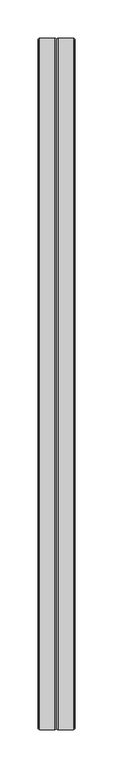
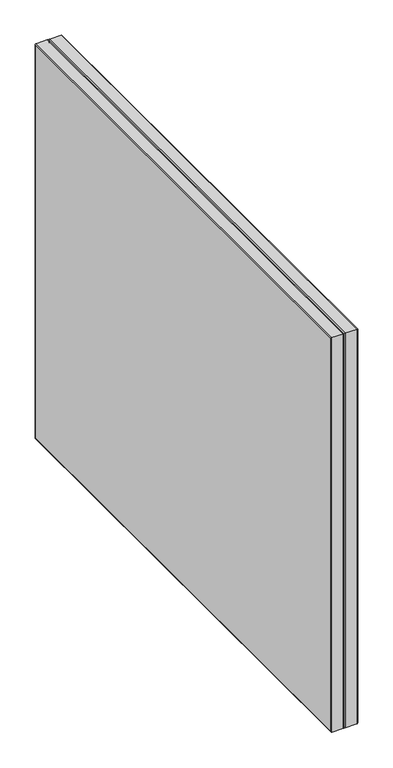
"""IFC4 building model written with IfcOpenShell, lengths in millimetres: furniture geometry."""

from ifc_helpers import new_model, si_unit, frame, origin, place, context, project, spatial, polyline, ellipse_curve, outline, extrude, source, transform, mapped, element, save
from ifc_brep_helpers import plane_surface, cylinder_surface, advanced_brep


def furniture_402b998c(model_context):
    return source(origin(), model_context, "Body", "SolidModel", [
        extrude(outline(polyline([(-23.9989598, -899.7010426), (-23.9989598, -2.0010201), (0.0, -2.0010201), (0.0, -899.7010426), (-23.9989598, -899.7010426)])), frame((0.0, 0.0, 2.00024), z_axis=(0.0, 0.0, 1.0), x_axis=(1.0, 0.0, 0.0)), (0.0, 0.0, 1.0), 729.4257541),
        advanced_brep(
        [(-23.9989825, -899.7000458, 731.4259941), (0.0, -899.7000458, 731.4259941), (0.0, -899.7000458, 2.00024), (-23.9989825, -899.7000458, 2.00024), (-2.0000233, -901.700069, 733.4260174), (-2.0000233, -901.700069, 0.0002167), (-21.9989593, -901.700069, 733.4260174), (-21.9989593, -901.700069, 0.0002167), (0.0, -2.0000233, 2.00024), (-23.9989825, -2.0000233, 2.00024), (-2.0000233, 0.0, 0.0002167), (-21.9989593, 0.0, 0.0002167), (0.0, -2.0000233, 731.4259941), (-23.9989825, -2.0000233, 731.4259941), (-2.0000233, 0.0, 733.4260174), (-21.9989593, 0.0, 733.4260174)],
        [
            (0, 1),
            (1, 2),
            (2, 3),
            (3, 0),
            (1, 4, ellipse_curve(frame((-2.0000233, -899.7000458, 731.4259941), z_axis=(0.0, -0.7071067811865475, -0.7071067811865475), x_axis=(0.0, -0.7071067811865474, 0.7071067811865476)), 2.82846, 2.0000233)),
            (4, 5),
            (5, 2, ellipse_curve(frame((-2.0000233, -899.7000458, 2.00024), z_axis=(0.0, -0.7071067811865475, 0.7071067811865475), x_axis=(0.0, 0.7071067811865474, 0.7071067811865476)), 2.82846, 2.0000233)),
            (4, 6),
            (6, 7),
            (7, 5),
            (6, 0, ellipse_curve(frame((-21.9989593, -899.7000458, 731.4259941), z_axis=(0.0, -0.7071067811865475, -0.7071067811865475), x_axis=(0.0, -0.7071067811865474, 0.7071067811865476)), 2.82846, 2.0000233)),
            (3, 7, ellipse_curve(frame((-21.9989593, -899.7000458, 2.00024), z_axis=(0.0, -0.7071067811865475, 0.7071067811865475), x_axis=(0.0, 0.7071067811865474, 0.7071067811865476)), 2.82846, 2.0000233)),
            (2, 8),
            (8, 9),
            (9, 3),
            (5, 10),
            (10, 8, ellipse_curve(frame((-2.0000233, -2.0000233, 2.00024), z_axis=(0.0, -0.7071067811865475, -0.7071067811865475), x_axis=(0.0, -0.7071067811865476, 0.7071067811865474)), 2.82846, 2.0000233)),
            (7, 11),
            (11, 10),
            (9, 11, ellipse_curve(frame((-21.9989593, -2.0000233, 2.00024), z_axis=(0.0, -0.7071067811865475, -0.7071067811865475), x_axis=(0.0, -0.7071067811865476, 0.7071067811865474)), 2.82846, 2.0000233)),
            (8, 12),
            (12, 13),
            (13, 9),
            (10, 14),
            (14, 12, ellipse_curve(frame((-2.0000233, -2.0000233, 731.4259941), z_axis=(0.0, 0.7071067811865475, -0.7071067811865475), x_axis=(0.0, -0.7071067811865474, -0.7071067811865476)), 2.82846, 2.0000233)),
            (11, 15),
            (15, 14),
            (13, 15, ellipse_curve(frame((-21.9989593, -2.0000233, 731.4259941), z_axis=(0.0, 0.7071067811865475, -0.7071067811865475), x_axis=(0.0, -0.7071067811865474, -0.7071067811865476)), 2.82846, 2.0000233)),
            (12, 1),
            (0, 13),
            (14, 4),
            (15, 6),
        ],
        [
            plane_surface(frame((0.0, -899.7000458, 731.4259941), z_axis=(0.0, 1.0, 0.0), x_axis=(0.0, 0.0, -1.0))),
            cylinder_surface(frame((-2.0000233, -899.7000458, 731.4259941), z_axis=(0.0, 0.0, 1.0), x_axis=(0.0, 1.0, 0.0)), 2.0000233),
            plane_surface(frame((-21.9989593, -901.700069, 733.4260174), z_axis=(0.0, -1.0, 0.0), x_axis=(0.0, 0.0, -1.0))),
            cylinder_surface(frame((-21.9989593, -899.7000458, 731.4259941), z_axis=(0.0, 0.0, 1.0), x_axis=(0.0, 1.0, 0.0)), 2.0000233),
            plane_surface(frame((0.0, -899.7000458, 2.00024), z_axis=(0.0, 0.0, 1.0), x_axis=(0.0, 1.0, 0.0))),
            cylinder_surface(frame((-2.0000233, -899.7000458, 2.00024), z_axis=(0.0, -1.0, 0.0), x_axis=(0.0, 0.0, 1.0)), 2.0000233),
            plane_surface(frame((-21.9989593, -901.700069, 0.0002167), z_axis=(0.0, 0.0, -1.0), x_axis=(0.0, 1.0, 0.0))),
            cylinder_surface(frame((-21.9989593, -899.7000458, 2.00024), z_axis=(0.0, -1.0, 0.0), x_axis=(0.0, 0.0, 1.0)), 2.0000233),
            plane_surface(frame((0.0, -2.0000233, 2.00024), z_axis=(0.0, -1.0, 0.0), x_axis=(0.0, 0.0, 1.0))),
            cylinder_surface(frame((-2.0000233, -2.0000233, 2.00024), z_axis=(0.0, 0.0, -1.0), x_axis=(0.0, -1.0, 0.0)), 2.0000233),
            plane_surface(frame((-21.9989593, 0.0, 0.0002167), z_axis=(0.0, 1.0, 0.0), x_axis=(0.0, 0.0, 1.0))),
            cylinder_surface(frame((-21.9989593, -2.0000233, 2.00024), z_axis=(0.0, 0.0, -1.0), x_axis=(0.0, -1.0, 0.0)), 2.0000233),
            plane_surface(frame((0.0, -2.0000233, 731.4259941), z_axis=(0.0, 0.0, -1.0), x_axis=(0.0, -1.0, 0.0))),
            cylinder_surface(frame((-2.0000233, -2.0000233, 731.4259941), z_axis=(0.0, 1.0, 0.0), x_axis=(0.0, 0.0, -1.0)), 2.0000233),
            plane_surface(frame((-21.9989593, 0.0, 733.4260174), z_axis=(0.0, 0.0, 1.0), x_axis=(0.0, -1.0, 0.0))),
            cylinder_surface(frame((-21.9989593, -2.0000233, 731.4259941), z_axis=(0.0, 1.0, 0.0), x_axis=(0.0, 0.0, -1.0)), 2.0000233),
        ],
        [
            (0, [[1, 2, 3, 4]]),
            (1, [[5, 6, 7, -2]]),
            (2, [[8, 9, 10, -6]]),
            (3, [[11, -4, 12, -9]]),
            (4, [[-3, 13, 14, 15]]),
            (5, [[-7, 16, 17, -13]]),
            (6, [[-10, 18, 19, -16]]),
            (7, [[-12, -15, 20, -18]]),
            (8, [[-14, 21, 22, 23]]),
            (9, [[-17, 24, 25, -21]]),
            (10, [[-19, 26, 27, -24]]),
            (11, [[-20, -23, 28, -26]]),
            (12, [[-22, 29, -1, 30]]),
            (13, [[-25, 31, -5, -29]]),
            (14, [[-27, 32, -8, -31]]),
            (15, [[-28, -30, -11, -32]]),
        ],
    ),
        extrude(outline(polyline([(23.9989598, -2.0010201), (23.9989598, -899.7010426), (0.0, -899.7010426), (0.0, -2.0010201), (23.9989598, -2.0010201)])), frame((0.0, 0.0, 2.00024), z_axis=(0.0, 0.0, 1.0), x_axis=(1.0, 0.0, 0.0)), (0.0, 0.0, 1.0), 729.4257541),
        advanced_brep(
        [(0.0, -899.7010426, 731.4259941), (23.9989825, -899.7010426, 731.4259941), (23.9989825, -899.7010426, 2.00024), (0.0, -899.7010426, 2.00024), (2.0000233, -901.7010658, 733.4260174), (2.0000233, -901.7010658, 0.0002167), (21.9989593, -901.7010658, 733.4260174), (21.9989593, -901.7010658, 0.0002167), (23.9989825, -2.0010201, 2.00024), (0.0, -2.0010201, 2.00024), (2.0000233, -0.0009968, 0.0002167), (21.9989593, -0.0009968, 0.0002167), (23.9989825, -2.0010201, 731.4259941), (0.0, -2.0010201, 731.4259941), (2.0000233, -0.0009968, 733.4260174), (21.9989593, -0.0009968, 733.4260174)],
        [
            (0, 1),
            (1, 2),
            (2, 3),
            (3, 0),
            (4, 0, ellipse_curve(frame((2.0000233, -899.7010426, 731.4259941), z_axis=(0.0, -0.7071067811865475, -0.7071067811865475), x_axis=(0.0, -0.7071067811865474, 0.7071067811865476)), 2.82846, 2.0000233)),
            (3, 5, ellipse_curve(frame((2.0000233, -899.7010426, 2.00024), z_axis=(0.0, -0.7071067811865475, 0.7071067811865475), x_axis=(0.0, 0.7071067811865474, 0.7071067811865476)), 2.82846, 2.0000233)),
            (5, 4),
            (6, 4),
            (5, 7),
            (7, 6),
            (1, 6, ellipse_curve(frame((21.9989593, -899.7010426, 731.4259941), z_axis=(0.0, -0.7071067811865475, -0.7071067811865475), x_axis=(0.0, -0.7071067811865474, 0.7071067811865476)), 2.82846, 2.0000233)),
            (7, 2, ellipse_curve(frame((21.9989593, -899.7010426, 2.00024), z_axis=(0.0, -0.7071067811865475, 0.7071067811865475), x_axis=(0.0, 0.7071067811865474, 0.7071067811865476)), 2.82846, 2.0000233)),
            (2, 8),
            (8, 9),
            (9, 3),
            (9, 10, ellipse_curve(frame((2.0000233, -2.0010201, 2.00024), z_axis=(0.0, -0.7071067811865475, -0.7071067811865475), x_axis=(0.0, -0.7071067811865476, 0.7071067811865474)), 2.82846, 2.0000233)),
            (10, 5),
            (10, 11),
            (11, 7),
            (11, 8, ellipse_curve(frame((21.9989593, -2.0010201, 2.00024), z_axis=(0.0, -0.7071067811865475, -0.7071067811865475), x_axis=(0.0, -0.7071067811865476, 0.7071067811865474)), 2.82846, 2.0000233)),
            (8, 12),
            (12, 13),
            (13, 9),
            (13, 14, ellipse_curve(frame((2.0000233, -2.0010201, 731.4259941), z_axis=(0.0, 0.7071067811865475, -0.7071067811865475), x_axis=(0.0, -0.7071067811865474, -0.7071067811865476)), 2.82846, 2.0000233)),
            (14, 10),
            (14, 15),
            (15, 11),
            (15, 12, ellipse_curve(frame((21.9989593, -2.0010201, 731.4259941), z_axis=(0.0, 0.7071067811865475, -0.7071067811865475), x_axis=(0.0, -0.7071067811865474, -0.7071067811865476)), 2.82846, 2.0000233)),
            (12, 1),
            (0, 13),
            (4, 14),
            (6, 15),
        ],
        [
            plane_surface(frame((23.9989825, -899.7010426, 731.4259941), z_axis=(0.0, 1.0, 0.0), x_axis=(0.0, 0.0, -1.0))),
            cylinder_surface(frame((2.0000233, -899.7010426, 731.4259941), z_axis=(0.0, 0.0, 1.0), x_axis=(0.0, 1.0, 0.0)), 2.0000233),
            plane_surface(frame((2.0000233, -901.7010658, 733.4260174), z_axis=(0.0, -1.0, 0.0), x_axis=(0.0, 0.0, -1.0))),
            cylinder_surface(frame((21.9989593, -899.7010426, 731.4259941), z_axis=(0.0, 0.0, 1.0), x_axis=(0.0, 1.0, 0.0)), 2.0000233),
            plane_surface(frame((23.9989825, -899.7010426, 2.00024), z_axis=(0.0, 0.0, 1.0), x_axis=(0.0, 1.0, 0.0))),
            cylinder_surface(frame((2.0000233, -899.7010426, 2.00024), z_axis=(0.0, -1.0, 0.0), x_axis=(0.0, 0.0, 1.0)), 2.0000233),
            plane_surface(frame((2.0000233, -901.7010658, 0.0002167), z_axis=(0.0, 0.0, -1.0), x_axis=(0.0, 1.0, 0.0))),
            cylinder_surface(frame((21.9989593, -899.7010426, 2.00024), z_axis=(0.0, -1.0, 0.0), x_axis=(0.0, 0.0, 1.0)), 2.0000233),
            plane_surface(frame((23.9989825, -2.0010201, 2.00024), z_axis=(0.0, -1.0, 0.0), x_axis=(0.0, 0.0, 1.0))),
            cylinder_surface(frame((2.0000233, -2.0010201, 2.00024), z_axis=(0.0, 0.0, -1.0), x_axis=(0.0, -1.0, 0.0)), 2.0000233),
            plane_surface(frame((2.0000233, -0.0009968, 0.0002167), z_axis=(0.0, 1.0, 0.0), x_axis=(0.0, 0.0, 1.0))),
            cylinder_surface(frame((21.9989593, -2.0010201, 2.00024), z_axis=(0.0, 0.0, -1.0), x_axis=(0.0, -1.0, 0.0)), 2.0000233),
            plane_surface(frame((23.9989825, -2.0010201, 731.4259941), z_axis=(0.0, 0.0, -1.0), x_axis=(0.0, -1.0, 0.0))),
            cylinder_surface(frame((2.0000233, -2.0010201, 731.4259941), z_axis=(0.0, 1.0, 0.0), x_axis=(0.0, 0.0, -1.0)), 2.0000233),
            plane_surface(frame((2.0000233, -0.0009968, 733.4260174), z_axis=(0.0, 0.0, 1.0), x_axis=(0.0, -1.0, 0.0))),
            cylinder_surface(frame((21.9989593, -2.0010201, 731.4259941), z_axis=(0.0, 1.0, 0.0), x_axis=(0.0, 0.0, -1.0)), 2.0000233),
        ],
        [
            (0, [[1, 2, 3, 4]]),
            (1, [[5, -4, 6, 7]]),
            (2, [[8, -7, 9, 10]]),
            (3, [[11, -10, 12, -2]]),
            (4, [[-3, 13, 14, 15]]),
            (5, [[-6, -15, 16, 17]]),
            (6, [[-9, -17, 18, 19]]),
            (7, [[-12, -19, 20, -13]]),
            (8, [[-14, 21, 22, 23]]),
            (9, [[-16, -23, 24, 25]]),
            (10, [[-18, -25, 26, 27]]),
            (11, [[-20, -27, 28, -21]]),
            (12, [[-22, 29, -1, 30]]),
            (13, [[-24, -30, -5, 31]]),
            (14, [[-26, -31, -8, 32]]),
            (15, [[-28, -32, -11, -29]]),
        ],
    ),
    ])


if __name__ == "__main__":
    model = new_model("IFC4")
    model_context = context("Model", 3, world=origin())
    ifc_project = project(units=[si_unit("LENGTHUNIT", "METRE", prefix="MILLI")], contexts=[model_context])
    site = spatial("IfcSite", under=ifc_project)
    building = spatial("IfcBuilding", under=site)
    placement = place(None, origin())
    furniture_shape = furniture_402b998c(model_context)
    element("IfcFurniture", 1, at=placement, inside=building, context=model_context, shape_type="MappedRepresentation", body=[
        mapped(furniture_shape, transform((0.0, 0.0, 0.0), x_axis=(1.0, 0.0, 0.0), y_axis=(0.0, 1.0, 0.0), z_axis=(0.0, 0.0, 1.0))),
    ])
    save(model, "model.ifc")
